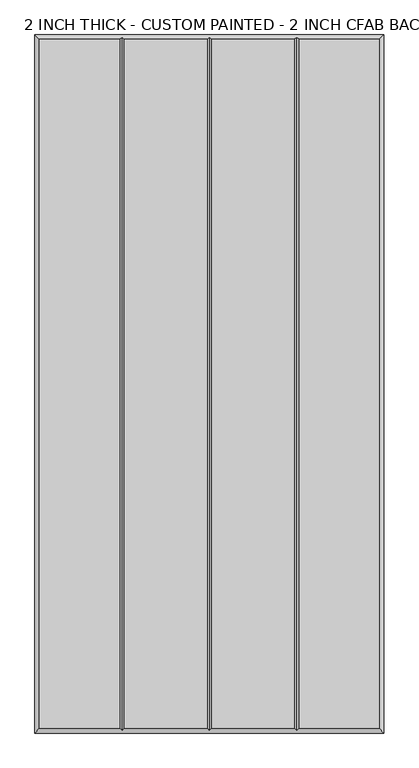
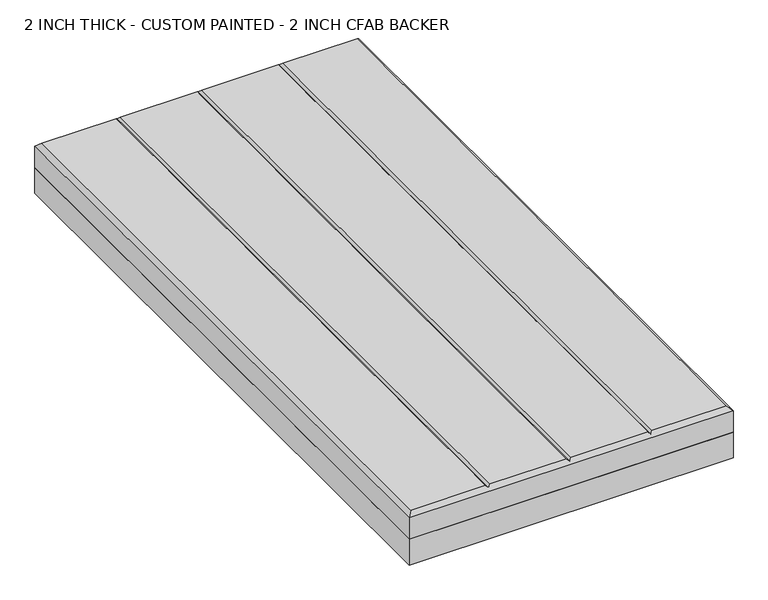
"""IFC4 building model written with IfcOpenShell, lengths in millimetres: proxy geometry, 2 INCH THICK - CUSTOM PAINTED - 2 INCH CFAB BACKER."""

from ifc_helpers import new_model, si_unit, frame, origin, place, context, project, spatial, polyline, outline, extrude, faceted_brep, source, transform, mapped, element, save


def proxy_2_inch_thick_custom_painted_2_inch_cfab_backer_5c212ded(model_context):
    return source(origin(), model_context, "Body", "SolidModel", [
        extrude(outline(polyline([(-304.8, 609.6), (304.8, 609.6), (304.8, -609.6), (-304.8, -609.6), (-304.8, 609.6)])), frame((0.0, 0.0, -50.8), z_axis=(0.0, 0.0, 1.0), x_axis=(1.0, 0.0, 0.0)), (0.0, 0.0, 1.0), 50.8),
        faceted_brep([(-296.799, 601.599, 50.8), (-296.799, -601.599, 50.8), (-156.4009826, -601.599, 50.8), (-156.4009826, 601.599, 50.8), (296.799, -601.599, 50.8), (296.799, 601.599, 50.8), (156.4010334, 601.599, 50.8), (156.4010334, -601.599, 50.8), (-148.3999826, 601.599, 50.8), (-148.3999826, -601.599, 50.8), (-4.0004746, -601.599, 50.8), (-4.0004746, 601.599, 50.8), (4.0005254, 601.599, 50.8), (4.0005254, -601.599, 50.8), (148.4000334, -601.599, 50.8), (148.4000334, 601.599, 50.8), (-304.8, 609.6, 0.0), (304.8, 609.6, 0.0), (304.8, -609.6, 0.0), (-304.8, -609.6, 0.0), (-304.8, -609.6, 42.799), (-304.8, 609.6, 42.799), (304.8, -609.6, 42.799), (304.8, 609.6, 42.799), (-152.4004826, 605.5995, 46.7995), (2.54e-05, 605.5995, 46.7995), (152.4005334, 605.5995, 46.7995), (152.4005334, -605.5995, 46.7995), (2.54e-05, -605.5995, 46.7995), (-152.4004826, -605.5995, 46.7995)], [[[0, 1, 2, 3]], [[4, 5, 6, 7]], [[8, 9, 10, 11]], [[12, 13, 14, 15]], [[16, 17, 18, 19]], [[16, 19, 20, 21]], [[19, 18, 22, 20]], [[18, 17, 23, 22]], [[17, 16, 21, 23]], [[21, 0, 3, 24, 8, 11, 25, 12, 15, 26, 6, 5, 23]], [[0, 21, 20, 1]], [[1, 20, 22, 4, 7, 27, 14, 13, 28, 10, 9, 29, 2]], [[23, 5, 4, 22]], [[24, 29, 9, 8]], [[29, 24, 3, 2]], [[25, 28, 13, 12]], [[28, 25, 11, 10]], [[26, 27, 7, 6]], [[27, 26, 15, 14]]]),
    ])


if __name__ == "__main__":
    model = new_model("IFC4")
    model_context = context("Model", 3, world=origin())
    ifc_project = project(units=[si_unit("LENGTHUNIT", "METRE", prefix="MILLI")], contexts=[model_context])
    site = spatial("IfcSite", under=ifc_project)
    building = spatial("IfcBuilding", under=site)
    placement = place(None, origin())
    proxy_2_inch_thick_custom_painted_2_inch_cfab_backer_shape = proxy_2_inch_thick_custom_painted_2_inch_cfab_backer_5c212ded(model_context)
    element("IfcBuildingElementProxy", 1, Name="2 INCH THICK - CUSTOM PAINTED - 2 INCH CFAB BACKER", ObjectType="2 INCH THICK - CUSTOM PAINTED - 2 INCH CFAB BACKER", at=placement, inside=building, context=model_context, shape_type="MappedRepresentation", body=[
        mapped(proxy_2_inch_thick_custom_painted_2_inch_cfab_backer_shape, transform((0.0, 0.0, 0.0), x_axis=(1.0, 0.0, 0.0), y_axis=(0.0, 1.0, 0.0), z_axis=(0.0, 0.0, 1.0))),
    ])
    save(model, "model.ifc")
